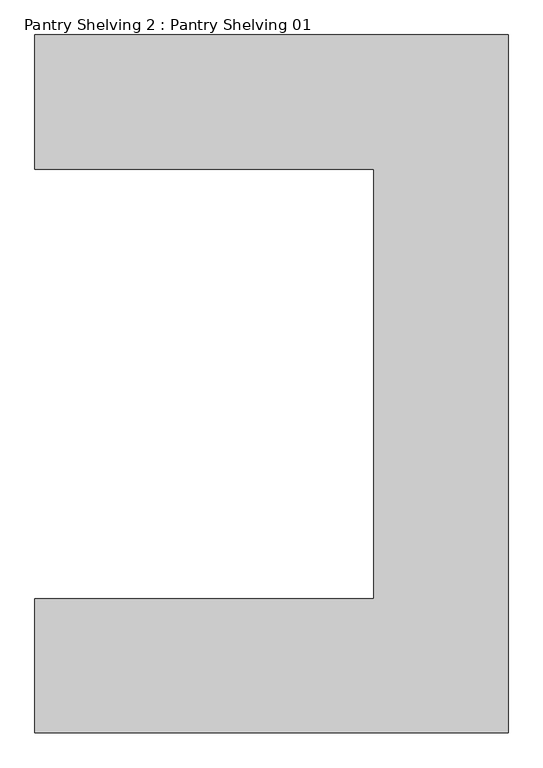
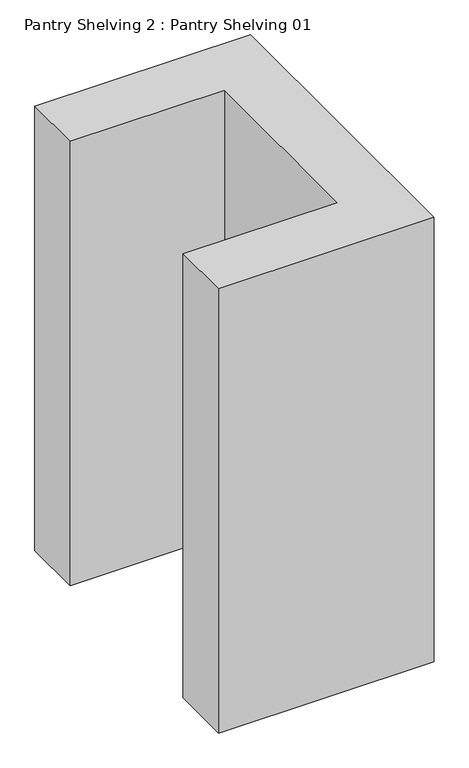
"""IFC4 building model written with IfcOpenShell, lengths in millimetres: furniture geometry, Pantry Shelving 2 : Pantry Shelving 01."""

from ifc_helpers import new_model, si_unit, frame, origin, place, context, project, spatial, polyline, outline, extrude, source, transform, mapped, element, save


def pantry_shelving_2_pantry_shelving_01_171b0193(model_context):
    return source(origin(), model_context, "Body", "SweptSolid", [
        extrude(outline(polyline([(99026.4549398, -29648.4625973), (99026.4549398, -28368.1881628), (98016.4549398, -28368.1881628), (98016.4549398, -27968.1881628), (99426.4549398, -27968.1881628), (99426.4549398, -30048.4625973), (98016.4549398, -30048.4625973), (98016.4549398, -29648.4625973), (99026.4549398, -29648.4625973)])), frame((0.0, 0.0, 68000.0), z_axis=(0.0, 0.0, 1.0), x_axis=(1.0, 0.0, 0.0)), (0.0, 0.0, 1.0), 3070.0),
    ])


if __name__ == "__main__":
    model = new_model("IFC4")
    model_context = context("Model", 3, world=origin())
    ifc_project = project(units=[si_unit("LENGTHUNIT", "METRE", prefix="MILLI")], contexts=[model_context])
    site = spatial("IfcSite", under=ifc_project)
    building = spatial("IfcBuilding", under=site)
    placement = place(None, origin())
    pantry_shelving_2_pantry_shelving_01_shape = pantry_shelving_2_pantry_shelving_01_171b0193(model_context)
    element("IfcFurniture", 1, ObjectType="Pantry Shelving 2 : Pantry Shelving 01", at=placement, inside=building, context=model_context, shape_type="MappedRepresentation", body=[
        mapped(pantry_shelving_2_pantry_shelving_01_shape, transform((0.0, 0.0, 0.0), x_axis=(1.0, 0.0, 0.0), y_axis=(0.0, 1.0, 0.0), z_axis=(0.0, 0.0, 1.0))),
    ])
    save(model, "model.ifc")
